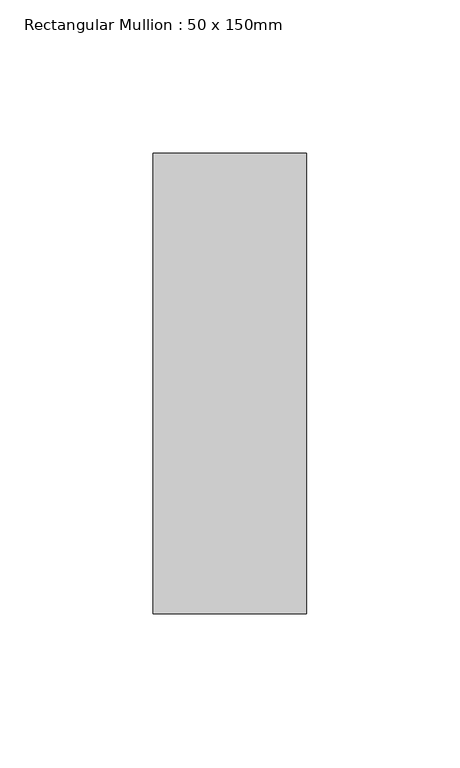
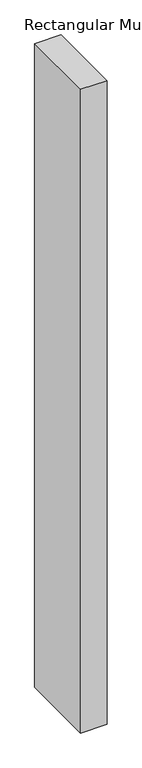
"""IFC4 building model written with IfcOpenShell, lengths in millimetres: member geometry, Rectangular Mullion : 50 x 150mm."""

from ifc_helpers import new_model, si_unit, frame, origin, place, context, project, spatial, polyline, outline, extrude, source, transform, mapped, element, save


def rectangular_mullion_50_x_150mm_7064e9f1(model_context):
    return source(origin(), model_context, "Body", "SweptSolid", [
        extrude(outline(polyline([(25.0, 75.0), (25.0, -75.0), (-25.0, -75.0), (-25.0, 75.0), (25.0, 75.0)])), frame((0.0, 0.0, -1281.25), z_axis=(0.0, 0.0, 1.0), x_axis=(1.0, 0.0, 0.0)), (0.0, 0.0, 1.0), 1281.25),
    ])


if __name__ == "__main__":
    model = new_model("IFC4")
    model_context = context("Model", 3, world=origin())
    ifc_project = project(units=[si_unit("LENGTHUNIT", "METRE", prefix="MILLI")], contexts=[model_context])
    site = spatial("IfcSite", under=ifc_project)
    building = spatial("IfcBuilding", under=site)
    placement = place(None, origin())
    rectangular_mullion_50_x_150mm_shape = rectangular_mullion_50_x_150mm_7064e9f1(model_context)
    element("IfcMember", 1, ObjectType="Rectangular Mullion : 50 x 150mm", at=placement, inside=building, context=model_context, shape_type="MappedRepresentation", body=[
        mapped(rectangular_mullion_50_x_150mm_shape, transform((0.0, 0.0, 0.0), x_axis=(1.0, 0.0, 0.0), y_axis=(0.0, 1.0, 0.0), z_axis=(0.0, 0.0, 1.0))),
    ])
    save(model, "model.ifc")
